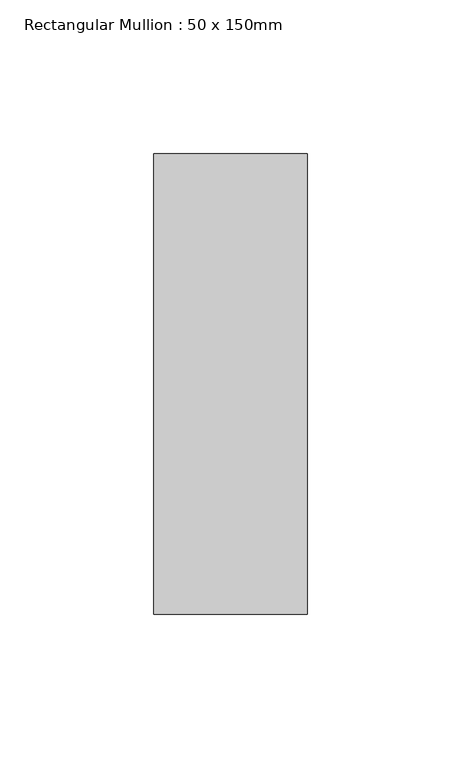
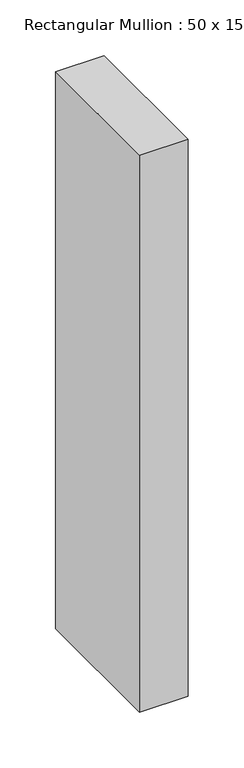
"""IFC4 building model written with IfcOpenShell, lengths in millimetres: member geometry, Rectangular Mullion : 50 x 150mm."""

from ifc_helpers import new_model, si_unit, frame, origin, place, context, project, spatial, polyline, outline, extrude, source, transform, mapped, element, save


def rectangular_mullion_50_x_150mm_d8aada82(model_context):
    return source(origin(), model_context, "Body", "SweptSolid", [
        extrude(outline(polyline([(25.0, 75.0), (25.0, -75.0), (-25.0, -75.0), (-25.0, 75.0), (25.0, 75.0)])), frame((0.0, 0.0, -607.4833333), z_axis=(0.0, 0.0, 1.0), x_axis=(1.0, 0.0, 0.0)), (0.0, 0.0, 1.0), 607.4833333),
    ])


if __name__ == "__main__":
    model = new_model("IFC4")
    model_context = context("Model", 3, world=origin())
    ifc_project = project(units=[si_unit("LENGTHUNIT", "METRE", prefix="MILLI")], contexts=[model_context])
    site = spatial("IfcSite", under=ifc_project)
    building = spatial("IfcBuilding", under=site)
    placement = place(None, origin())
    rectangular_mullion_50_x_150mm_shape = rectangular_mullion_50_x_150mm_d8aada82(model_context)
    element("IfcMember", 1, ObjectType="Rectangular Mullion : 50 x 150mm", at=placement, inside=building, context=model_context, shape_type="MappedRepresentation", body=[
        mapped(rectangular_mullion_50_x_150mm_shape, transform((0.0, 0.0, 0.0), x_axis=(1.0, 0.0, 0.0), y_axis=(0.0, 1.0, 0.0), z_axis=(0.0, 0.0, 1.0))),
    ])
    save(model, "model.ifc")
